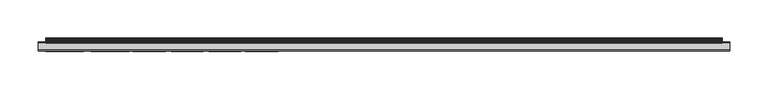
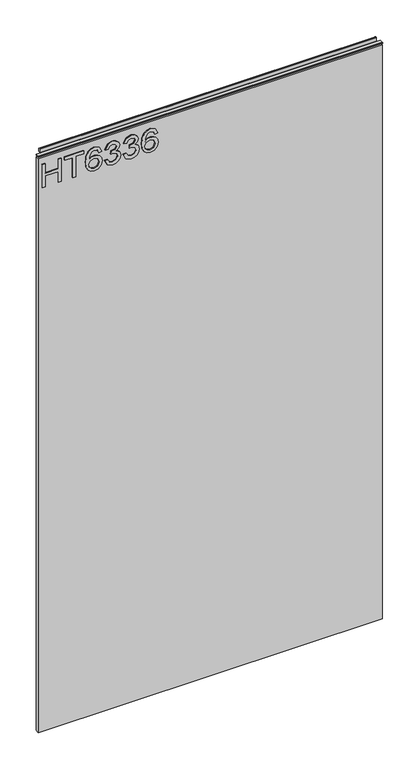
"""IFC4 building model written with IfcOpenShell, lengths in millimetres: furniture geometry."""

import ifcopenshell
import ifcopenshell.guid

model = None  # the IFC model being written
_history = None  # IfcOwnerHistory: only IFC2X3 demands one
_inside = {}  # id of a spatial element -> (the spatial element, [elements in it])
_under = {}  # id of a project, library or spatial element -> (it, [spatial elements below it])
_declared = {}  # id of a project -> (the project, [libraries it declares])
_typed = {}  # id of a type object -> (the type object, [elements of that type])
_made_of = {}  # id of a material, layer set ... -> (it, [elements and type objects made of it])


def new_model(schema):
    """Start an empty IFC model of exactly this schema.

    Asked for "IFC4X3", IfcOpenShell would pick the latest addendum, in which some entities
    have other attributes; the version numbers below select the first issue.
    IFC2X3 requires an IfcOwnerHistory on every rooted entity: one is made here for all.
    """
    global model, _history
    if schema == "IFC4X3":
        model = ifcopenshell.file(schema_version=(4, 3, 0, 0))
    else:
        model = ifcopenshell.file(schema=schema)
    _inside.clear()
    _under.clear()
    _declared.clear()
    _typed.clear()
    _made_of.clear()
    _history = None
    if model.schema == "IFC2X3":
        org = make("IfcOrganization", Name="unknown")
        user = make(
            "IfcPersonAndOrganization",
            ThePerson=make("IfcPerson", FamilyName="unknown"),
            TheOrganization=org,
        )
        app = make(
            "IfcApplication",
            ApplicationDeveloper=org,
            Version="unknown",
            ApplicationFullName="unknown",
            ApplicationIdentifier="unknown",
        )
        _history = make(
            "IfcOwnerHistory",
            OwningUser=user,
            OwningApplication=app,
            ChangeAction="ADDED",
            CreationDate=0,
        )
    return model


def make(cls, **values):
    """One entity of the class cls with the attributes given. An attribute that is None is left unset."""
    return model.create_entity(
        cls, **{name: value for name, value in values.items() if value is not None}
    )


def rooted(cls, **values):
    """An entity with a GlobalId (a new one), such as an element, a storey or a relation."""
    return make(cls, GlobalId=ifcopenshell.guid.new(), OwnerHistory=_history, **values)


def si_unit(unit_type, name, prefix=None):
    """IfcSIUnit, for example si_unit("LENGTHUNIT", "METRE", prefix="MILLI")."""
    return make("IfcSIUnit", UnitType=unit_type, Prefix=prefix, Name=name)


def assignment(units):
    """IfcUnitAssignment: the units of a project."""
    return None if units is None else make("IfcUnitAssignment", Units=units)


def point(xyz):
    """IfcCartesianPoint."""
    return None if xyz is None else make("IfcCartesianPoint", Coordinates=xyz)


def direction(xyz):
    """IfcDirection."""
    return None if xyz is None else make("IfcDirection", DirectionRatios=xyz)


def frame(location, z_axis=None, x_axis=None):
    """IfcAxis2Placement3D, a coordinate frame: its origin and axes. An axis left out is left unset."""
    return make(
        "IfcAxis2Placement3D",
        Location=point(location),
        Axis=direction(z_axis),
        RefDirection=direction(x_axis),
    )


def origin():
    """The frame at (0, 0, 0) with its axes left unset."""
    return frame((0.0, 0.0, 0.0))


def place(relative_to, where):
    """IfcLocalPlacement: puts the frame where relative to a parent placement (None: the world)."""
    return make(
        "IfcLocalPlacement", PlacementRelTo=relative_to, RelativePlacement=where
    )


def context(
    kind, dimensions, precision=None, world=None, true_north=None, identifier=None
):
    """IfcGeometricRepresentationContext, for example the 3D "Model" context."""
    return make(
        "IfcGeometricRepresentationContext",
        ContextIdentifier=identifier,
        ContextType=kind,
        CoordinateSpaceDimension=dimensions,
        Precision=precision,
        WorldCoordinateSystem=world,
        TrueNorth=true_north,
    )


def project(units=None, contexts=None):
    """IfcProject with its units and contexts."""
    return rooted(
        "IfcProject",
        Name="project",
        RepresentationContexts=contexts,
        UnitsInContext=assignment(units),
    )


def spatial(cls, under=None, at=None, **own):
    """A site, building, storey or space (cls), placed at a placement, below another one or the project."""
    s = rooted(cls, ObjectPlacement=at, **own)
    if under is not None:
        _under.setdefault(under.id(), (under, []))[1].append(s)
    return s


def polyline(points):
    """IfcPolyline through the points."""
    return make("IfcPolyline", Points=[point(p) for p in points])


def outline(outer, holes=None, kind="AREA"):
    """IfcArbitraryClosedProfileDef: a profile drawn as a closed curve; with holes, ...WithVoids."""
    if holes is None:
        return make("IfcArbitraryClosedProfileDef", ProfileType=kind, OuterCurve=outer)
    return make(
        "IfcArbitraryProfileDefWithVoids",
        ProfileType=kind,
        OuterCurve=outer,
        InnerCurves=holes,
    )


def extrude(swept, where, along, depth):
    """IfcExtrudedAreaSolid: the profile swept, set in the frame where, extruded along a direction by depth."""
    return make(
        "IfcExtrudedAreaSolid",
        SweptArea=swept,
        Position=where,
        ExtrudedDirection=direction(along),
        Depth=depth,
    )


def shape(context_of_items, identifier, shape_type, items):
    """IfcShapeRepresentation: the items that make up one representation, for example the "Body"."""
    return make(
        "IfcShapeRepresentation",
        ContextOfItems=context_of_items,
        RepresentationIdentifier=identifier,
        RepresentationType=shape_type,
        Items=items,
    )


def source(mapping_origin, context_of_items, identifier, shape_type, items):
    """IfcRepresentationMap: a shape defined once, which mapped items show again and again."""
    return make(
        "IfcRepresentationMap",
        MappingOrigin=mapping_origin,
        MappedRepresentation=shape(context_of_items, identifier, shape_type, items),
    )


def transform(
    local_origin,
    x_axis=None,
    y_axis=None,
    z_axis=None,
    scale=None,
    scale2=None,
    scale3=None,
    uniform=True,
):
    """IfcCartesianTransformationOperator3D, or its non-uniform kind. x_axis, y_axis, z_axis: its Axis1, 2, 3."""
    if uniform:
        return make(
            "IfcCartesianTransformationOperator3D",
            Axis1=direction(x_axis),
            Axis2=direction(y_axis),
            LocalOrigin=point(local_origin),
            Scale=scale,
            Axis3=direction(z_axis),
        )
    return make(
        "IfcCartesianTransformationOperator3DnonUniform",
        Axis1=direction(x_axis),
        Axis2=direction(y_axis),
        LocalOrigin=point(local_origin),
        Scale=scale,
        Axis3=direction(z_axis),
        Scale2=scale2,
        Scale3=scale3,
    )


def mapped(mapping_source, mapping_target):
    """IfcMappedItem: shows the shape of a source again, moved by a transform."""
    return make(
        "IfcMappedItem", MappingSource=mapping_source, MappingTarget=mapping_target
    )


def made_of(thing, what):
    """Note that an element or type object is made of a material, layer set ...; save() writes the relation."""
    if what is not None:
        _made_of.setdefault(what.id(), (what, []))[1].append(thing)
    return thing


def element(
    cls,
    number,
    at=None,
    inside=None,
    cuts=None,
    type_object=None,
    material=None,
    context=None,
    identifier="Body",
    shape_type=None,
    held_by="IfcProductDefinitionShape",
    body=None,
    shapes=None,
    **own,
):
    """One element of the class cls, such as IfcWall. Its Tag is "e" and its number.

    at: its placement. inside: the storey or other place that contains it. cuts: it is an
    opening in that element (IfcRelVoidsElement). A single representation is given by context,
    identifier, shape_type and body (its items); several are given by shapes. held_by: the class
    of the entity that holds the representations. save() writes the other relations.
    """
    e = rooted(cls, Tag="e%d" % number, ObjectPlacement=at, **own)
    if body is not None:
        shapes = [shape(context, identifier, shape_type, body)]
    if shapes is not None:
        e.Representation = make(held_by, Representations=shapes)
    if inside is not None:
        _inside.setdefault(inside.id(), (inside, []))[1].append(e)
    if cuts is not None:
        rooted(
            "IfcRelVoidsElement", RelatingBuildingElement=cuts, RelatedOpeningElement=e
        )
    if type_object is not None:
        _typed.setdefault(type_object.id(), (type_object, []))[1].append(e)
    return made_of(e, material)


def aggregate(whole, parts):
    """IfcRelAggregates: a whole, such as a stair, and the parts it consists of."""
    return rooted("IfcRelAggregates", RelatingObject=whole, RelatedObjects=parts)


def save(model, path):
    """Write the relations noted so far, then the file.

    IfcRelAggregates (storeys below a building ...), IfcRelContainedInSpatialStructure (elements
    in a storey), IfcRelDefinesByType, IfcRelAssociatesMaterial and IfcRelDeclares: one each for
    every whole, place, type object, material and project.
    """
    for whole, parts in _under.values():
        aggregate(whole, parts)
    for where, things in _inside.values():
        rooted(
            "IfcRelContainedInSpatialStructure",
            RelatedElements=things,
            RelatingStructure=where,
        )
    for kind, things in _typed.values():
        rooted("IfcRelDefinesByType", RelatedObjects=things, RelatingType=kind)
    for what, things in _made_of.values():
        rooted("IfcRelAssociatesMaterial", RelatedObjects=things, RelatingMaterial=what)
    for by, libraries in _declared.values():
        rooted("IfcRelDeclares", RelatingContext=by, RelatedDefinitions=libraries)
    model.write(path)


def furniture_aafdc67d(model_context):
    return source(origin(), model_context, "Body", "SweptSolid", [
        extrude(outline(polyline([(1611.8078, -288.5795281), (1611.8078, -280.6058085), (1641.7092486, -280.6058085), (1641.7092486, -246.7175001), (1611.8078, -246.7175001), (1611.8078, -238.7437805), (1675.5975569, -238.7437805), (1675.5975569, -246.7175001), (1649.6829682, -246.7175001), (1649.6829682, -280.6058085), (1675.5975569, -280.6058085), (1675.5975569, -288.5795281), (1611.8078, -288.5795281)])), frame((0.0, -5.6037602, 0.0), z_axis=(0.0, 1.0, 0.0), x_axis=(0.0, 0.0, 1.0)), (0.0, 0.0, 1.0), 2.38125),
        extrude(outline(polyline([(1611.8078, -208.8423319), (1611.8078, -200.8686123), (1667.6238373, -200.8686123), (1667.6238373, -179.9375983), (1675.5975569, -179.9375983), (1675.5975569, -229.7733459), (1667.6238373, -229.7733459), (1667.6238373, -208.8423319), (1611.8078, -208.8423319)])), frame((0.0, -5.6037602, 0.0), z_axis=(0.0, 1.0, 0.0), x_axis=(0.0, 0.0, 1.0)), (0.0, 0.0, 1.0), 2.38125),
        extrude(outline(polyline([(1658.6534028, -133.0919955), (1671.096766, -138.9788432), (1675.5975569, -151.5779432), (1673.7793308, -160.8325972), (1668.3246525, -167.9770189), (1657.4659103, -173.2097724), (1641.5846592, -174.9540235), (1627.4593395, -173.3830295), (1617.9749738, -168.6700472), (1612.6020572, -161.4652776), (1610.811085, -152.4189214), (1613.513117, -141.9689881), (1621.2999526, -134.727231), (1632.3027512, -132.0952806), (1640.4750351, -133.4930176), (1646.9887231, -137.6862285), (1652.673113, -151.2353224), (1650.5940279, -159.9487914), (1644.2321833, -166.9803039), (1658.4431582, -164.7143348), (1665.6927021, -159.2713367), (1667.6238373, -152.0763006), (1664.3066454, -144.0870074), (1657.6566878, -141.0657152), (1658.6534028, -133.0919955)]), holes=[polyline([(1632.4273406, -166.9803039), (1641.31212, -163.0168046), (1644.6993934, -153.3689154), (1641.31212, -143.5964367), (1632.0379988, -140.0690002), (1622.3511754, -143.6431577), (1618.7848047, -153.0418683), (1620.5056953, -160.2291175), (1625.5204174, -165.1348239), (1632.4273406, -166.9803039)])]), frame((0.0, -5.6037602, 0.0), z_axis=(0.0, 1.0, 0.0), x_axis=(0.0, 0.0, 1.0)), (0.0, 0.0, 1.0), 2.38125),
        extrude(outline(polyline([(1628.7519542, -125.1182759), (1615.8102335, -118.7797918), (1610.811085, -104.7946351), (1612.2750101, -96.2719436), (1616.6667854, -89.361127), (1623.1610063, -84.7824677), (1630.9322681, -83.2562479), (1641.3043331, -86.3086875), (1646.755118, -94.998796), (1652.0345925, -88.4578541), (1659.3853653, -86.2463928), (1667.4291664, -88.5746566), (1673.4094562, -95.3024825), (1675.5975569, -104.9192245), (1671.1590607, -117.5961928), (1658.6534028, -124.121561), (1657.6566878, -116.1478414), (1665.1320499, -112.2388499), (1667.6238373, -104.6388984), (1665.1554105, -97.1323889), (1658.9181552, -94.2201124), (1651.8788558, -98.2381196), (1649.6829682, -108.5634635), (1641.7092486, -109.4511628), (1642.5813742, -103.8602148), (1639.31869, -94.7963382), (1631.0724312, -91.2299675), (1622.320028, -94.8274856), (1618.7848047, -104.514309), (1621.3544604, -112.7449942), (1629.7486691, -117.1445563), (1628.7519542, -125.1182759)])), frame((0.0, -5.6037602, 0.0), z_axis=(0.0, 1.0, 0.0), x_axis=(0.0, 0.0, 1.0)), (0.0, 0.0, 1.0), 2.38125),
        extrude(outline(polyline([(1628.7519542, -76.2792433), (1615.8102335, -69.9407591), (1610.811085, -55.9556024), (1612.2750101, -47.4329109), (1616.6667854, -40.5220944), (1623.1610063, -35.943435), (1630.9322681, -34.4172153), (1641.3043331, -37.4696548), (1646.755118, -46.1597633), (1652.0345925, -39.6188214), (1659.3853653, -37.4073601), (1667.4291664, -39.735624), (1673.4094562, -46.4634499), (1675.5975569, -56.0801918), (1671.1590607, -68.7571601), (1658.6534028, -75.2825283), (1657.6566878, -67.3088087), (1665.1320499, -63.3998172), (1667.6238373, -55.7998657), (1665.1554105, -48.2933562), (1658.9181552, -45.3810797), (1651.8788558, -49.3990869), (1649.6829682, -59.7244309), (1641.7092486, -60.6121301), (1642.5813742, -55.0211822), (1639.31869, -45.9573056), (1631.0724312, -42.3909349), (1622.320028, -45.9884529), (1618.7848047, -55.6752764), (1621.3544604, -63.9059616), (1629.7486691, -68.3055236), (1628.7519542, -76.2792433)])), frame((0.0, -5.6037602, 0.0), z_axis=(0.0, 1.0, 0.0), x_axis=(0.0, 0.0, 1.0)), (0.0, 0.0, 1.0), 2.38125),
        extrude(outline(polyline([(1658.6534028, 13.4251024), (1671.096766, 7.5382548), (1675.5975569, -5.0608452), (1673.7793308, -14.3154993), (1668.3246525, -21.4599209), (1657.4659103, -26.6926744), (1641.5846592, -28.4369256), (1627.4593395, -26.8659315), (1617.9749738, -22.1529493), (1612.6020572, -14.9481796), (1610.811085, -5.9018234), (1613.513117, 4.5481099), (1621.2999526, 11.789867), (1632.3027512, 14.4218174), (1640.4750351, 13.0240804), (1646.9887231, 8.8308695), (1652.673113, -4.7182244), (1650.5940279, -13.4316934), (1644.2321833, -20.4632059), (1658.4431582, -18.1972368), (1665.6927021, -12.7542387), (1667.6238373, -5.5592027), (1664.3066454, 2.4300906), (1657.6566878, 5.4513828), (1658.6534028, 13.4251024)]), holes=[polyline([(1632.4273406, -20.4632059), (1641.31212, -16.4997066), (1644.6993934, -6.8518174), (1641.31212, 2.9206613), (1632.0379988, 6.4480978), (1622.3511754, 2.8739403), (1618.7848047, -6.5247703), (1620.5056953, -13.7120195), (1625.5204174, -18.6177259), (1632.4273406, -20.4632059)])]), frame((0.0, -5.6037602, 0.0), z_axis=(0.0, 1.0, 0.0), x_axis=(0.0, 0.0, 1.0)), (0.0, 0.0, 1.0), 2.38125),
        extrude(outline(polyline([(5.5562561, 1701.8), (6.3500061, 1701.8), (6.3500061, 1711.67425), (7.1437561, 1712.468), (8.6677569, 1712.468), (10.0084363, 1712.0506926), (10.875413, 1710.9461816), (10.9623604, 1709.5447591), (10.2390011, 1706.5863459), (10.4046103, 1705.3833307), (11.6746103, 1703.1836103), (10.7786383, 1702.6663244), (7.1437561, 1702.6663244), (7.1437561, 1701.8), (6.3500061, 1701.5669239), (6.3500061, 1694.3578), (5.5562561, 1694.3578), (5.5562561, 1701.8)])), frame((-288.671, 0.0, 0.0), z_axis=(1.0, 0.0, 0.0), x_axis=(0.0, 1.0, 0.0)), (0.0, 0.0, 1.0), 882.142),
        extrude(outline(polyline([(5.5562561, 1701.8), (5.5562561, 1698.6249996), (-3.975094, 1698.6249996), (-5.3492339, 1699.4183657), (-5.3492339, 1701.0066395), (-3.9751037, 1701.8), (5.5562561, 1701.8)])), frame((-298.196, 0.0, 0.0), z_axis=(1.0, 0.0, 0.0), x_axis=(0.0, 1.0, 0.0)), (0.0, 0.0, 1.0), 901.192),
        extrude(outline(polyline([(602.996, 6.3500061), (602.996, -3.1749939), (-298.196, -3.1749939), (-298.196, 6.3500061), (602.996, 6.3500061)])), frame((0.0, 0.0, 104.69626), z_axis=(0.0, 0.0, 1.0), x_axis=(1.0, 0.0, 0.0)), (0.0, 0.0, 1.0), 1589.66154),
    ])


if __name__ == "__main__":
    model = new_model("IFC4")
    model_context = context("Model", 3, world=origin())
    ifc_project = project(units=[si_unit("LENGTHUNIT", "METRE", prefix="MILLI")], contexts=[model_context])
    site = spatial("IfcSite", under=ifc_project)
    building = spatial("IfcBuilding", under=site)
    placement = place(None, origin())
    furniture_shape = furniture_aafdc67d(model_context)
    element("IfcFurniture", 1, at=placement, inside=building, context=model_context, shape_type="MappedRepresentation", body=[
        mapped(furniture_shape, transform((0.0, 0.0, 0.0), x_axis=(1.0, 0.0, 0.0), y_axis=(0.0, 1.0, 0.0), z_axis=(0.0, 0.0, 1.0))),
    ])
    save(model, "model.ifc")
